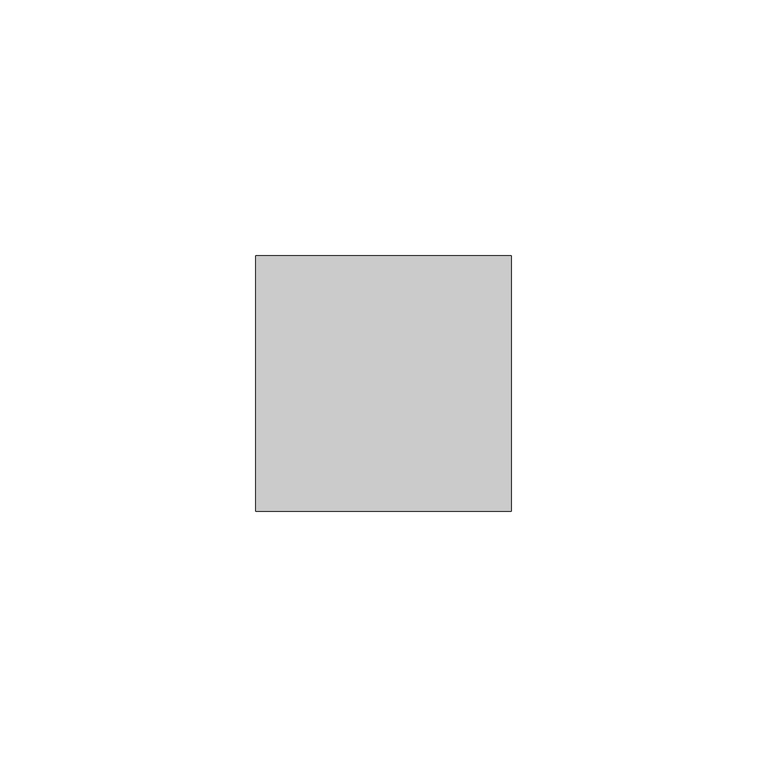
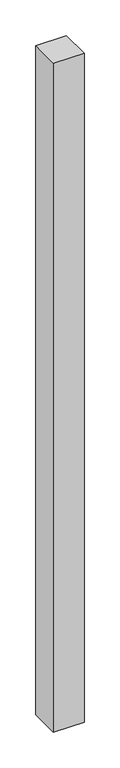
"""IFC4 building model written with IfcOpenShell, lengths in millimetres: member geometry."""

from ifc_helpers import new_model, si_unit, frame, origin, place, context, project, spatial, polyline, outline, extrude, source, transform, mapped, element, save


def member_c8bbb229(model_context):
    return source(origin(), model_context, "Body", "SweptSolid", [
        extrude(outline(polyline([(25.0, 25.0), (25.0, -25.0), (-25.0, -25.0), (-25.0, 25.0), (25.0, 25.0)])), frame((0.0, 0.0, -1150.0), z_axis=(0.0, 0.0, 1.0), x_axis=(1.0, 0.0, 0.0)), (0.0, 0.0, 1.0), 1150.0),
    ])


if __name__ == "__main__":
    model = new_model("IFC4")
    model_context = context("Model", 3, world=origin())
    ifc_project = project(units=[si_unit("LENGTHUNIT", "METRE", prefix="MILLI")], contexts=[model_context])
    site = spatial("IfcSite", under=ifc_project)
    building = spatial("IfcBuilding", under=site)
    placement = place(None, origin())
    member_shape = member_c8bbb229(model_context)
    element("IfcMember", 1, at=placement, inside=building, context=model_context, shape_type="MappedRepresentation", body=[
        mapped(member_shape, transform((0.0, 0.0, 0.0), x_axis=(1.0, 0.0, 0.0), y_axis=(0.0, 1.0, 0.0), z_axis=(0.0, 0.0, 1.0))),
    ])
    save(model, "model.ifc")
